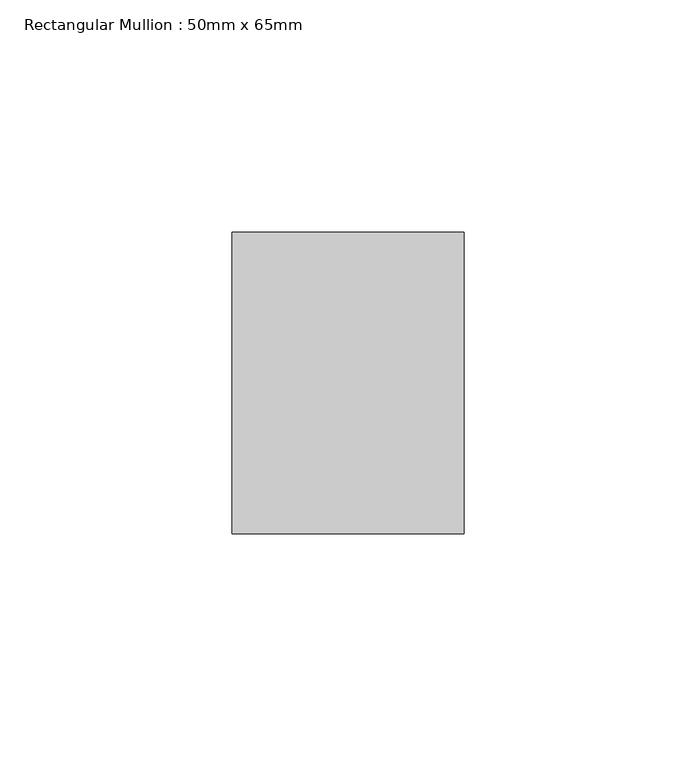
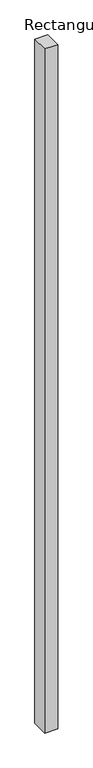
"""IFC4 building model written with IfcOpenShell, lengths in millimetres: member geometry, Rectangular Mullion : 50mm x 65mm."""

from ifc_helpers import new_model, si_unit, frame, origin, place, context, project, spatial, polyline, outline, extrude, source, transform, mapped, element, save


def rectangular_mullion_50mm_x_65mm_8ced9c8b(model_context):
    return source(origin(), model_context, "Body", "SweptSolid", [
        extrude(outline(polyline([(25.0, 32.5), (25.0, -32.5), (-25.0, -32.5), (-25.0, 32.5), (25.0, 32.5)])), frame((0.0, 0.0, -2773.8909913), z_axis=(0.0, 0.0, 1.0), x_axis=(1.0, 0.0, 0.0)), (0.0, 0.0, 1.0), 2773.8909913),
    ])


if __name__ == "__main__":
    model = new_model("IFC4")
    model_context = context("Model", 3, world=origin())
    ifc_project = project(units=[si_unit("LENGTHUNIT", "METRE", prefix="MILLI")], contexts=[model_context])
    site = spatial("IfcSite", under=ifc_project)
    building = spatial("IfcBuilding", under=site)
    placement = place(None, origin())
    rectangular_mullion_50mm_x_65mm_shape = rectangular_mullion_50mm_x_65mm_8ced9c8b(model_context)
    element("IfcMember", 1, ObjectType="Rectangular Mullion : 50mm x 65mm", at=placement, inside=building, context=model_context, shape_type="MappedRepresentation", body=[
        mapped(rectangular_mullion_50mm_x_65mm_shape, transform((0.0, 0.0, 0.0), x_axis=(1.0, 0.0, 0.0), y_axis=(0.0, 1.0, 0.0), z_axis=(0.0, 0.0, 1.0))),
    ])
    save(model, "model.ifc")
